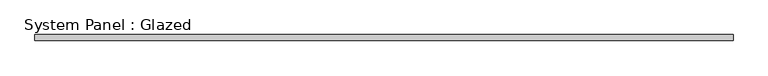
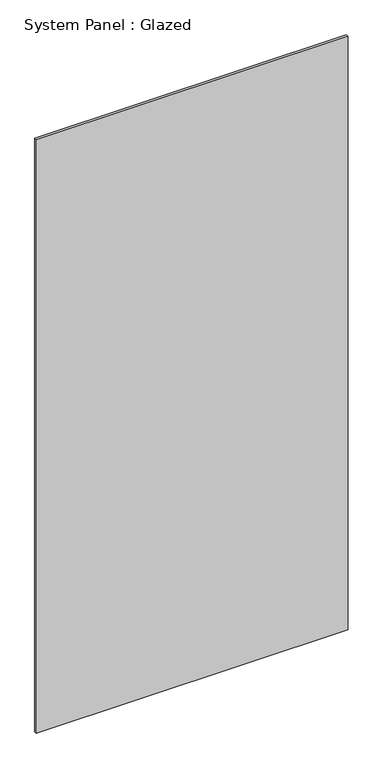
"""IFC4 building model written with IfcOpenShell, lengths in millimetres: plate geometry, System Panel : Glazed."""

from ifc_helpers import new_model, si_unit, origin, origin_with_axes, place, context, project, spatial, polyline, outline, extrude, source, transform, mapped, element, save


def system_panel_glazed_ddbe75a3(model_context):
    return source(origin(), model_context, "Body", "SweptSolid", [
        extrude(outline(polyline([(1492.25, 19.05), (-1492.25, 19.05), (-1492.25, 44.45), (1492.25, 44.45), (1492.25, 19.05)])), origin_with_axes(), (0.0, 0.0, 1.0), 6000.75),
    ])


if __name__ == "__main__":
    model = new_model("IFC4")
    model_context = context("Model", 3, world=origin())
    ifc_project = project(units=[si_unit("LENGTHUNIT", "METRE", prefix="MILLI")], contexts=[model_context])
    site = spatial("IfcSite", under=ifc_project)
    building = spatial("IfcBuilding", under=site)
    placement = place(None, origin())
    system_panel_glazed_shape = system_panel_glazed_ddbe75a3(model_context)
    element("IfcPlate", 1, ObjectType="System Panel : Glazed", at=placement, inside=building, context=model_context, shape_type="MappedRepresentation", body=[
        mapped(system_panel_glazed_shape, transform((0.0, 0.0, 0.0), x_axis=(1.0, 0.0, 0.0), y_axis=(0.0, 1.0, 0.0), z_axis=(0.0, 0.0, 1.0))),
    ])
    save(model, "model.ifc")
